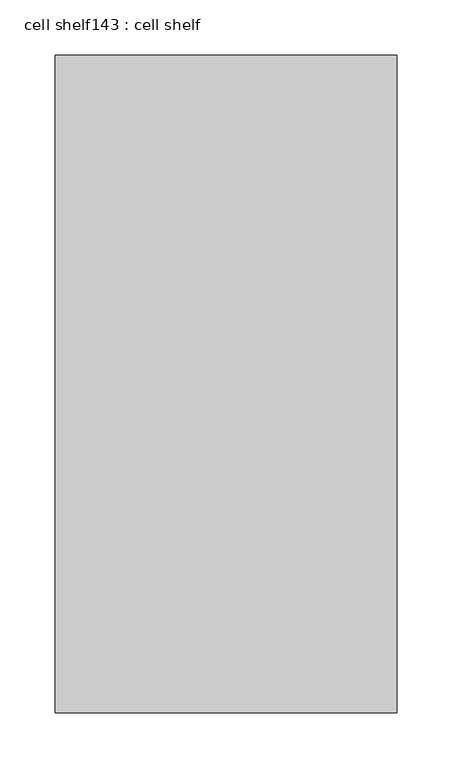
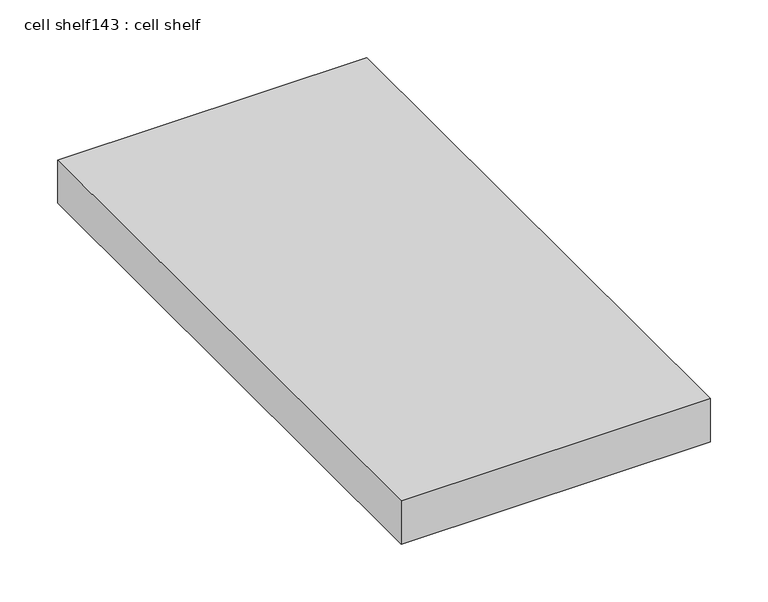
"""IFC4 building model written with IfcOpenShell, lengths in millimetres: proxy geometry, cell shelf143 : cell shelf."""

from ifc_helpers import new_model, si_unit, frame, origin, place, context, project, spatial, polyline, outline, extrude, source, transform, mapped, element, save


def cell_shelf143_cell_shelf_f12b5fd6(model_context):
    return source(origin(), model_context, "Body", "SweptSolid", [
        extrude(outline(polyline([(-128622.2326094, -56947.2042641), (-128622.2326094, -57542.2906598), (-128931.5804059, -57542.2906598), (-128931.5804059, -56947.2042641), (-128622.2326094, -56947.2042641)])), frame((0.0, 0.0, 1320.0941517), z_axis=(0.0, 0.0, 1.0), x_axis=(1.0, 0.0, 0.0)), (0.0, 0.0, 1.0), 45.8133004),
    ])


if __name__ == "__main__":
    model = new_model("IFC4")
    model_context = context("Model", 3, world=origin())
    ifc_project = project(units=[si_unit("LENGTHUNIT", "METRE", prefix="MILLI")], contexts=[model_context])
    site = spatial("IfcSite", under=ifc_project)
    building = spatial("IfcBuilding", under=site)
    placement = place(None, origin())
    cell_shelf143_cell_shelf_shape = cell_shelf143_cell_shelf_f12b5fd6(model_context)
    element("IfcBuildingElementProxy", 1, Name="cell shelf143 : cell shelf", ObjectType="cell shelf143 : cell shelf", at=placement, inside=building, context=model_context, shape_type="MappedRepresentation", body=[
        mapped(cell_shelf143_cell_shelf_shape, transform((0.0, 0.0, 0.0), x_axis=(1.0, 0.0, 0.0), y_axis=(0.0, 1.0, 0.0), z_axis=(0.0, 0.0, 1.0))),
    ])
    save(model, "model.ifc")
